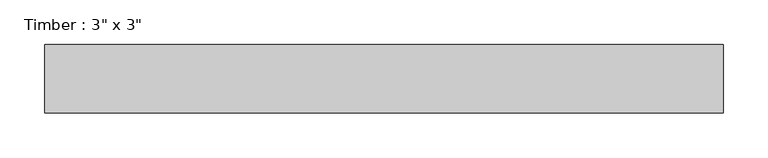
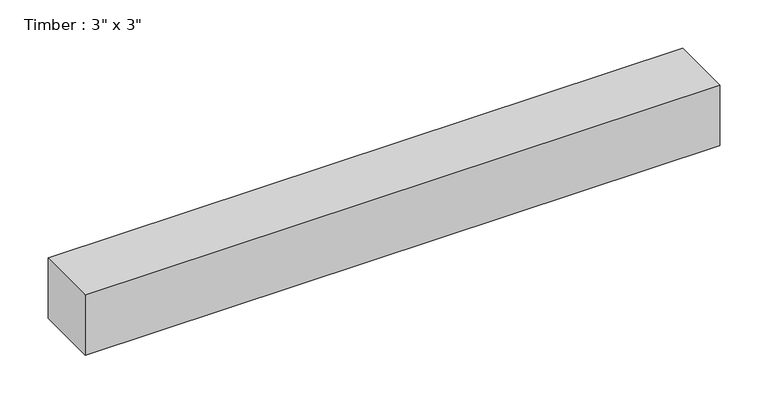
"""IFC4 building model written with IfcOpenShell, lengths in millimetres: beam geometry."""

from ifc_helpers import new_model, si_unit, frame, origin, place, context, project, spatial, polyline, outline, extrude, source, transform, mapped, element, save


def beam_90b5efec(model_context):
    return source(origin(), model_context, "Body", "SweptSolid", [
        extrude(outline(polyline([(377.825, 38.1), (377.825, -38.1), (-377.825, -38.1), (-377.825, 38.1), (377.825, 38.1)])), frame((0.0, 0.0, -38.1), z_axis=(0.0, 0.0, 1.0), x_axis=(1.0, 0.0, 0.0)), (0.0, 0.0, 1.0), 76.2),
    ])


if __name__ == "__main__":
    model = new_model("IFC4")
    model_context = context("Model", 3, world=origin())
    ifc_project = project(units=[si_unit("LENGTHUNIT", "METRE", prefix="MILLI")], contexts=[model_context])
    site = spatial("IfcSite", under=ifc_project)
    building = spatial("IfcBuilding", under=site)
    placement = place(None, origin())
    beam_shape = beam_90b5efec(model_context)
    element("IfcBeam", 1, ObjectType="Timber : 3\" x 3\"", at=placement, inside=building, context=model_context, shape_type="MappedRepresentation", body=[
        mapped(beam_shape, transform((0.0, 0.0, 0.0), x_axis=(1.0, 0.0, 0.0), y_axis=(0.0, 1.0, 0.0), z_axis=(0.0, 0.0, 1.0))),
    ])
    save(model, "model.ifc")
